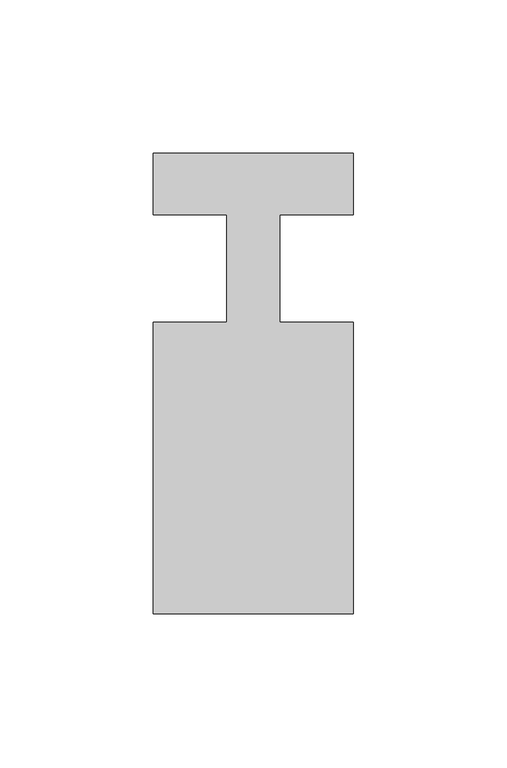
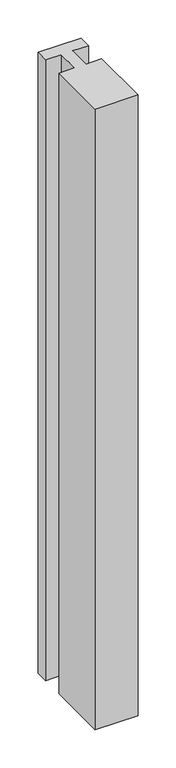
"""IFC4 building model written with IfcOpenShell, lengths in millimetres: member geometry."""

from ifc_helpers import new_model, si_unit, frame, origin, place, context, project, spatial, polyline, outline, extrude, source, transform, mapped, element, save


def member_0545b5ba(model_context):
    return source(origin(), model_context, "Body", "SweptSolid", [
        extrude(outline(polyline([(-65.0, 37.0), (0.0, 37.0), (0.0, 17.0), (-23.8125, 17.0), (-23.8125, -18.0), (0.0, -18.0), (0.0, -113.0), (-65.0, -113.0), (-65.0, -18.0), (-41.1875, -18.0), (-41.1875, 17.0), (-65.0, 17.0), (-65.0, 37.0)])), frame((0.0, 0.0, -994.2857143), z_axis=(0.0, 0.0, 1.0), x_axis=(1.0, 0.0, 0.0)), (0.0, 0.0, 1.0), 994.2857143),
    ])


if __name__ == "__main__":
    model = new_model("IFC4")
    model_context = context("Model", 3, world=origin())
    ifc_project = project(units=[si_unit("LENGTHUNIT", "METRE", prefix="MILLI")], contexts=[model_context])
    site = spatial("IfcSite", under=ifc_project)
    building = spatial("IfcBuilding", under=site)
    placement = place(None, origin())
    member_shape = member_0545b5ba(model_context)
    element("IfcMember", 1, at=placement, inside=building, context=model_context, shape_type="MappedRepresentation", body=[
        mapped(member_shape, transform((0.0, 0.0, 0.0), x_axis=(1.0, 0.0, 0.0), y_axis=(0.0, 1.0, 0.0), z_axis=(0.0, 0.0, 1.0))),
    ])
    save(model, "model.ifc")
